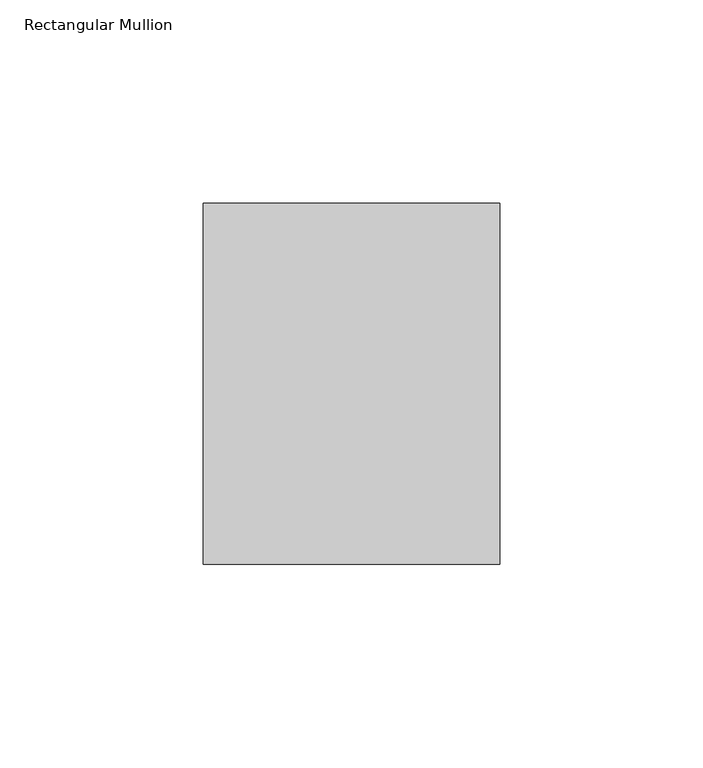
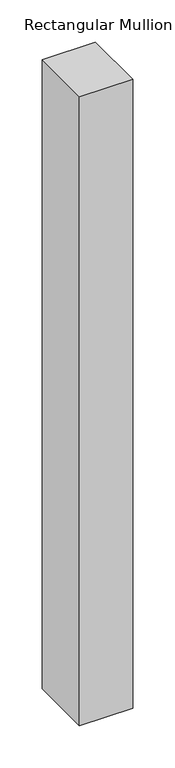
"""IFC4 building model written with IfcOpenShell, lengths in millimetres: member geometry, Rectangular Mullion."""

from ifc_helpers import new_model, si_unit, frame, origin, place, context, project, spatial, polyline, outline, extrude, source, transform, mapped, element, save


def rectangular_mullion_759dd68a(model_context):
    return source(origin(), model_context, "Body", "SweptSolid", [
        extrude(outline(polyline([(0.0, 44.45), (0.0, -44.45), (-73.025, -44.45), (-73.025, 44.45), (0.0, 44.45)])), frame((0.0, 0.0, -912.8125), z_axis=(0.0, 0.0, 1.0), x_axis=(1.0, 0.0, 0.0)), (0.0, 0.0, 1.0), 912.8125),
    ])


if __name__ == "__main__":
    model = new_model("IFC4")
    model_context = context("Model", 3, world=origin())
    ifc_project = project(units=[si_unit("LENGTHUNIT", "METRE", prefix="MILLI")], contexts=[model_context])
    site = spatial("IfcSite", under=ifc_project)
    building = spatial("IfcBuilding", under=site)
    placement = place(None, origin())
    rectangular_mullion_shape = rectangular_mullion_759dd68a(model_context)
    element("IfcMember", 1, ObjectType="Rectangular Mullion", at=placement, inside=building, context=model_context, shape_type="MappedRepresentation", body=[
        mapped(rectangular_mullion_shape, transform((0.0, 0.0, 0.0), x_axis=(1.0, 0.0, 0.0), y_axis=(0.0, 1.0, 0.0), z_axis=(0.0, 0.0, 1.0))),
    ])
    save(model, "model.ifc")
